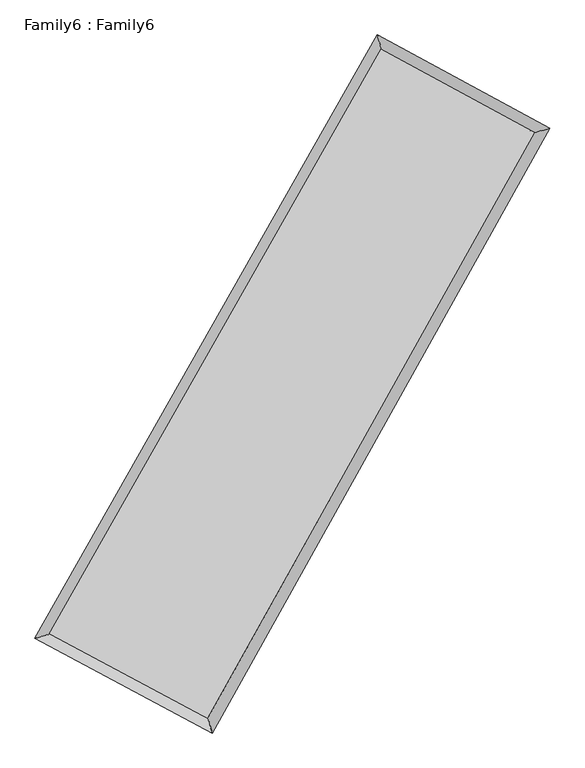
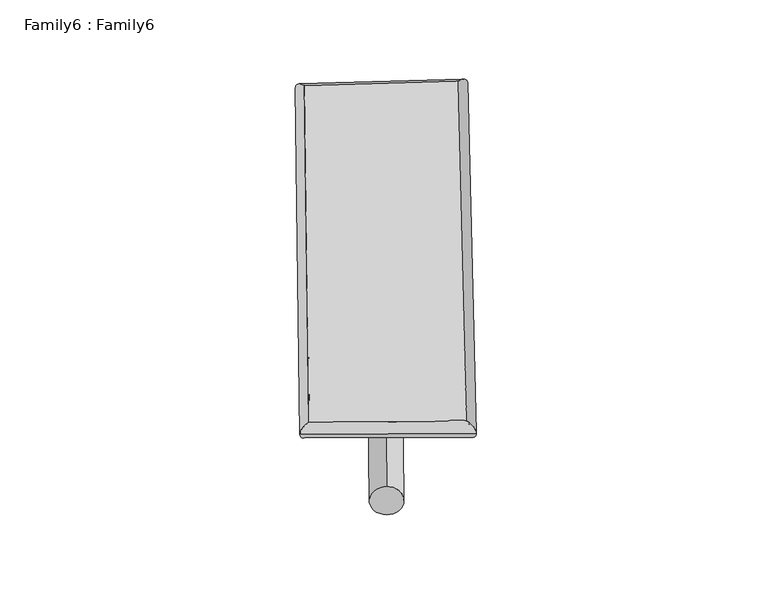
"""IFC4 building model written with IfcOpenShell, lengths in millimetres: plate geometry, Family6 : Family6."""

from ifc_helpers import new_model, si_unit, point, frame, origin, origin_2d, place, context, project, spatial, circle_curve, ellipse_curve, trimmed, segment, composite_curve, outline, extrude, source, transform, mapped, element, save
from ifc_brep_helpers import plane_surface, cylinder_surface, spline_surface, advanced_brep


def family6_family6_9a6930fd(model_context):
    return source(origin(), model_context, "Body", "SolidModel", [
        extrude(outline(composite_curve([segment(trimmed(circle_curve(origin_2d(), 76.2), [point((-75.4341514, -10.7763073))], [point((75.4341514, 10.7763073))], False, "CARTESIAN"), True, "CONTINUOUS"), segment(trimmed(circle_curve(origin_2d(), 76.2), [point((75.4341514, 10.7763073))], [point((-75.4341514, -10.7763073))], False, "CARTESIAN"), True, "CONTINUOUS")], self_intersect=False)), frame((9144.0, 9144.0, 0.0), z_axis=(0.6677040594863931, 0.6916765758377984, 0.2752359049664301), x_axis=(-0.6836270265614014, 0.7160682736299672, -0.1410684800209298)), (0.0, 0.0, 1.0), 5620.1635551),
        extrude(outline(composite_curve([segment(trimmed(circle_curve(origin_2d(), 76.2), [point((-53.8815367, 53.8815367))], [point((53.8815367, -53.8815367))], False, "CARTESIAN"), True, "CONTINUOUS"), segment(trimmed(circle_curve(origin_2d(), 76.2), [point((53.8815367, -53.8815367))], [point((-53.8815367, 53.8815367))], False, "CARTESIAN"), True, "CONTINUOUS")], self_intersect=False)), frame((9144.0, 9144.0, 0.0), z_axis=(-0.6722920394406844, -0.687595320380186, 0.274291977819175), x_axis=(0.6424511278842026, -0.3578256373299888, 0.6776557839712603)), (0.0, 0.0, 1.0), 5638.5264746),
        extrude(outline(composite_curve([segment(trimmed(circle_curve(origin_2d(), 76.2), [point((-53.8815367, -53.8815368))], [point((53.8815367, 53.8815368))], False, "CARTESIAN"), True, "CONTINUOUS"), segment(trimmed(circle_curve(origin_2d(), 76.2), [point((53.8815367, 53.8815368))], [point((-53.8815367, -53.8815368))], False, "CARTESIAN"), True, "CONTINUOUS")], self_intersect=False)), frame((9144.0, 9144.0, 0.0), z_axis=(0.24322531595264152, 0.931876544141062, 0.2691608295414643), x_axis=(-0.8449799287408805, 0.33982117556161634, -0.41295337347572036)), (0.0, 0.0, 1.0), 5567.5090984),
        extrude(outline(composite_curve([segment(trimmed(circle_curve(origin_2d(), 76.2), [point((-75.4341514, 10.7763074))], [point((75.4341514, -10.7763074))], False, "CARTESIAN"), True, "CONTINUOUS"), segment(trimmed(circle_curve(origin_2d(), 76.2), [point((75.4341514, -10.7763074))], [point((-75.4341514, 10.7763074))], False, "CARTESIAN"), True, "CONTINUOUS")], self_intersect=False)), frame((9144.0, 9144.0, 0.0), z_axis=(-0.2368744507607953, -0.9334947761707881, 0.26921737952558294), x_axis=(0.889722810916738, -0.09712805802682044, 0.4460487193999744)), (0.0, 0.0, 1.0), 5568.4975606),
        advanced_brep(
        [(5143.6786426, 5206.3337329, 1543.1594505), (5143.6102437, 5206.2426531, 1550.9152281), (5562.8484313, 5327.6174316, 1550.045707), (10556.8686212, 14127.0319569, 1503.4074929), (10439.4496979, 14537.4303193, 1493.7032419), (5562.9168302, 5327.7085113, 1542.2899293), (12688.3530678, 12970.9342758, 1546.345112), (13104.8589737, 13091.7366911, 1547.3964923), (7764.827764, 4150.7742641, 1500.0047), (7885.1026335, 3740.8989679, 1498.2679423)],
        [
            (0, 1, ellipse_curve(frame((5353.2635369, 5266.9755822, 1546.6025787), z_axis=(-0.2780649245696526, 0.9605217183946664, 0.008827582694637707), x_axis=(-0.9604135104291114, -0.27817185521860177, 0.015043535138810186)), 218.3178971, 152.4)),
            (1, 2, ellipse_curve(frame((5353.2635369, 5266.9755822, 1546.6025787), z_axis=(-0.2780649245696526, 0.9605217183946664, 0.008827582694637707), x_axis=(-0.9604135104291114, -0.27817185521860177, 0.015043535138810186)), 218.3178971, 152.4)),
            (2, 3),
            (3, 4, ellipse_curve(frame((10498.1591595, 14332.2311381, 1498.5553674), z_axis=(-0.9613256576471372, -0.27526141681516275, -0.00917236949803578), x_axis=(0.2750975647043758, -0.9612843023176798, 0.015931729703127336)), 213.492564, 152.4)),
            (4, 0),
            (2, 5, ellipse_curve(frame((5353.2635369, 5266.9755822, 1546.6025787), z_axis=(-0.2780649245696526, 0.9605217183946664, 0.008827582694637707), x_axis=(-0.9604135104291114, -0.27817185521860177, 0.015043535138810186)), 218.3178971, 152.4)),
            (5, 0, ellipse_curve(frame((5353.2635369, 5266.9755822, 1546.6025787), z_axis=(-0.2780649245696526, 0.9605217183946664, 0.008827582694637707), x_axis=(-0.9604135104291114, -0.27817185521860177, 0.015043535138810186)), 218.3178971, 152.4)),
            (4, 3, ellipse_curve(frame((10498.1591595, 14332.2311381, 1498.5553674), z_axis=(-0.9613256576471372, -0.27526141681516275, -0.00917236949803578), x_axis=(0.2750975647043758, -0.9612843023176798, 0.015931729703127336)), 213.492564, 152.4)),
            (3, 6),
            (6, 7, ellipse_curve(frame((12896.6060207, 13031.3354834, 1546.8708021), z_axis=(-0.27852398901414227, 0.9603839297406078, -0.00933247232179834), x_axis=(-0.9602671302735093, -0.2786423639146053, -0.01566753166135966)), 216.8555414, 152.4)),
            (7, 4),
            (7, 6, ellipse_curve(frame((12896.6060207, 13031.3354834, 1546.8708021), z_axis=(-0.27852398901414227, 0.9603839297406078, -0.00933247232179834), x_axis=(-0.9602671302735093, -0.2786423639146053, -0.01566753166135966)), 216.8555414, 152.4)),
            (6, 8),
            (8, 9, ellipse_curve(frame((7824.9651988, 3945.836616, 1499.1363212), z_axis=(0.959494840571709, 0.2815933143563111, -0.008651949265853736), x_axis=(-0.2814431332477727, 0.9594549960941599, 0.01535816452679601)), 213.5938079, 152.4)),
            (9, 7),
            (9, 8, ellipse_curve(frame((7824.9651988, 3945.836616, 1499.1363212), z_axis=(0.959494840571709, 0.2815933143563111, -0.008651949265853736), x_axis=(-0.2814431332477727, 0.9594549960941599, 0.01535816452679601)), 213.5938079, 152.4)),
            (8, 5),
            (1, 9),
        ],
        [
            cylinder_surface(frame((5353.2635369, 5266.9755822, 1546.6025787), z_axis=(-0.49358217690587586, -0.8696869479404629, 0.00460947099563448), x_axis=(-0.8694337963579198, 0.49329372313085074, -0.027316230895911345)), 152.4),
            cylinder_surface(frame((10498.1591595, 14332.2311381, 1498.5553674), z_axis=(-0.8788874534581937, 0.4767005213486254, -0.01770471970182543), x_axis=(0.4769505487050686, 0.8788110131893128, -0.014469871703216584)), 152.4),
            cylinder_surface(frame((12896.6060207, 13031.3354834, 1546.8708021), z_axis=(0.48740973839394536, 0.8731613262073021, 0.004587519444247439), x_axis=(0.8731725614033083, -0.4874097383939453, -0.001193704792488473)), 152.4),
            cylinder_surface(frame((7824.9651988, 3945.836616, 1499.1363212), z_axis=(0.8817967489520595, -0.4713255095809292, -0.01693391732163143), x_axis=(-0.4712017038364442, -0.8819577745862252, 0.01092877616868399)), 152.4),
        ],
        [
            (0, [[1, 2, 3, 4, 5]]),
            (0, [[6, 7, -5, 8, -3]]),
            (1, [[-4, 9, 10, 11]]),
            (1, [[-8, -11, 12, -9]]),
            (2, [[-10, 13, 14, 15]]),
            (2, [[-12, -15, 16, -13]]),
            (3, [[-14, 17, -6, -2, 18]]),
            (3, [[-16, -18, -1, -7, -17]]),
        ],
    ),
        extrude(outline(composite_curve([segment(trimmed(circle_curve(origin_2d(), 304.8), [point((0.0, -304.8))], [point((1e-07, 304.8))], False, "CARTESIAN"), True, "CONTINUOUS"), segment(trimmed(circle_curve(origin_2d(), 304.8), [point((1e-07, 304.8))], [point((0.0, -304.8))], False, "CARTESIAN"), True, "CONTINUOUS")], self_intersect=False)), frame((6556.0329496, 4599.1054557, -0.0231778), z_axis=(0.49482448374160914, 0.8689929402879005, 4.431649174149573e-06), x_axis=(-0.8689929402984086, 0.4948244837416091, 1.173299517324393e-06)), (0.0, 0.0, 1.0), 10460.1414662),
        advanced_brep(
        [(5353.2635369, 5266.9755822, 1546.6025787), (7824.9651988, 3945.836616, 1499.1363212), (7824.9768438, 3945.8333399, 1651.5363207), (5353.2751819, 5266.9723061, 1699.0025782), (12896.6060207, 13031.3354834, 1546.8708021), (12896.6176657, 13031.3322073, 1699.2708017), (10498.1591595, 14332.2311381, 1498.5553674), (10498.1708045, 14332.227862, 1650.9553669)],
        [
            (0, 1),
            (1, 2),
            (2, 3),
            (3, 0),
            (1, 4),
            (4, 5),
            (5, 2),
            (4, 6),
            (6, 7),
            (7, 5),
            (6, 0),
            (3, 7),
        ],
        [
            plane_surface(frame((6589.1143678, 4606.4060991, 1522.8694499), z_axis=(-0.4713928472911061, -0.8819233431720145, 1.7061103400904665e-05), x_axis=(0.8817967489520596, -0.4713255095809292, -0.01693391732163144))),
            plane_surface(frame((10360.7856097, 8488.5860497, 1523.0035617), z_axis=(0.8731706843540246, -0.48741455664071875, -7.719751535910195e-05), x_axis=(0.48740973839394497, 0.8731613262073022, 0.004587519444247436))),
            plane_surface(frame((11697.3825901, 13681.7833108, 1522.7130848), z_axis=(0.47677552435921733, 0.8790250844341859, -1.7534701297815432e-05), x_axis=(-0.8788874534581936, 0.47670052134862545, -0.01770471970182543))),
            plane_surface(frame((7925.7113482, 9799.6033602, 1522.5789731), z_axis=(-0.8696960093835693, 0.4935877280923063, 7.706471518671622e-05), x_axis=(-0.4935821769058761, -0.8696869479404626, 0.004609470995634473))),
            spline_surface(1, 1, [[(7824.9768438, 3945.8333399, 1651.5363207), (5353.2751819, 5266.9723061, 1699.0025782)], [(12896.6176657, 13031.3322073, 1699.2708017), (10498.1708045, 14332.227862, 1650.9553669)]], [2, 2], [2, 2], [0.0, 1.0], [0.0, 1.0]),
            spline_surface(1, 1, [[(10498.1591595, 14332.2311381, 1498.5553674), (5353.2635369, 5266.9755822, 1546.6025787)], [(12896.6060207, 13031.3354834, 1546.8708021), (7824.9651988, 3945.836616, 1499.1363212)]], [2, 2], [2, 2], [0.0, 1.0], [0.0, 1.0]),
        ],
        [
            (0, [[1, 2, 3, 4]]),
            (1, [[5, 6, 7, -2]]),
            (2, [[8, 9, 10, -6]]),
            (3, [[11, -4, 12, -9]]),
            (4, [[-3, -7, -10, -12]]),
            (5, [[-11, -8, -5, -1]]),
        ],
    ),
    ])


if __name__ == "__main__":
    model = new_model("IFC4")
    model_context = context("Model", 3, world=origin())
    ifc_project = project(units=[si_unit("LENGTHUNIT", "METRE", prefix="MILLI")], contexts=[model_context])
    site = spatial("IfcSite", under=ifc_project)
    building = spatial("IfcBuilding", under=site)
    placement = place(None, origin())
    family6_family6_shape = family6_family6_9a6930fd(model_context)
    element("IfcPlate", 1, ObjectType="Family6 : Family6", at=placement, inside=building, context=model_context, shape_type="MappedRepresentation", body=[
        mapped(family6_family6_shape, transform((0.0, 0.0, 0.0), x_axis=(1.0, 0.0, 0.0), y_axis=(0.0, 1.0, 0.0), z_axis=(0.0, 0.0, 1.0))),
    ])
    save(model, "model.ifc")
